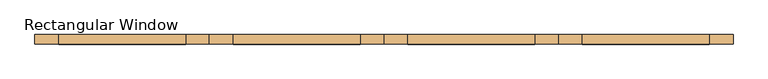
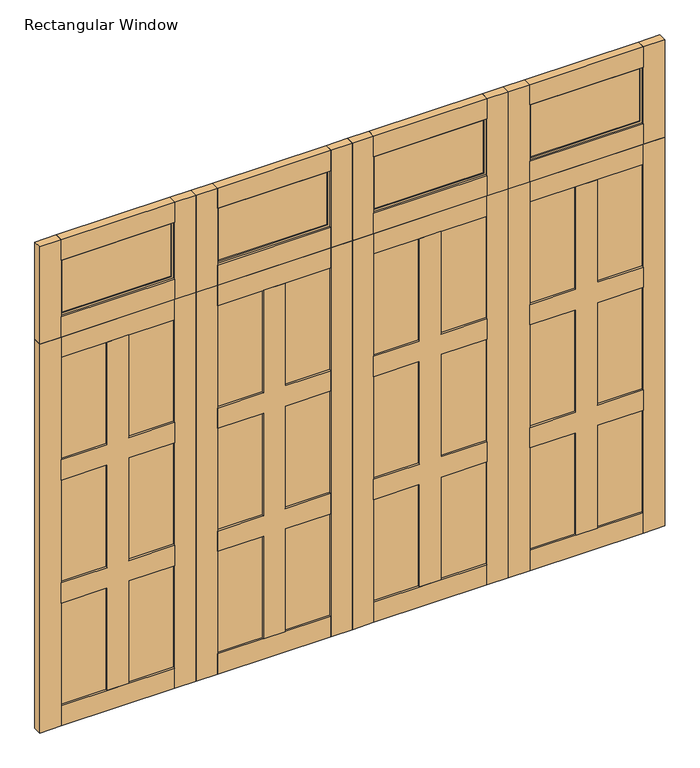
"""IFC4 building model written with IfcOpenShell, lengths in millimetres: door geometry, Rectangular Window."""

import ifcopenshell
import ifcopenshell.guid

model = None  # the IFC model being written
_history = None  # IfcOwnerHistory: only IFC2X3 demands one
_inside = {}  # id of a spatial element -> (the spatial element, [elements in it])
_under = {}  # id of a project, library or spatial element -> (it, [spatial elements below it])
_declared = {}  # id of a project -> (the project, [libraries it declares])
_typed = {}  # id of a type object -> (the type object, [elements of that type])
_made_of = {}  # id of a material, layer set ... -> (it, [elements and type objects made of it])


def new_model(schema):
    """Start an empty IFC model of exactly this schema.

    Asked for "IFC4X3", IfcOpenShell would pick the latest addendum, in which some entities
    have other attributes; the version numbers below select the first issue.
    IFC2X3 requires an IfcOwnerHistory on every rooted entity: one is made here for all.
    """
    global model, _history
    if schema == "IFC4X3":
        model = ifcopenshell.file(schema_version=(4, 3, 0, 0))
    else:
        model = ifcopenshell.file(schema=schema)
    _inside.clear()
    _under.clear()
    _declared.clear()
    _typed.clear()
    _made_of.clear()
    _history = None
    if model.schema == "IFC2X3":
        org = make("IfcOrganization", Name="unknown")
        user = make(
            "IfcPersonAndOrganization",
            ThePerson=make("IfcPerson", FamilyName="unknown"),
            TheOrganization=org,
        )
        app = make(
            "IfcApplication",
            ApplicationDeveloper=org,
            Version="unknown",
            ApplicationFullName="unknown",
            ApplicationIdentifier="unknown",
        )
        _history = make(
            "IfcOwnerHistory",
            OwningUser=user,
            OwningApplication=app,
            ChangeAction="ADDED",
            CreationDate=0,
        )
    return model


def make(cls, **values):
    """One entity of the class cls with the attributes given. An attribute that is None is left unset."""
    return model.create_entity(
        cls, **{name: value for name, value in values.items() if value is not None}
    )


def rooted(cls, **values):
    """An entity with a GlobalId (a new one), such as an element, a storey or a relation."""
    return make(cls, GlobalId=ifcopenshell.guid.new(), OwnerHistory=_history, **values)


def si_unit(unit_type, name, prefix=None):
    """IfcSIUnit, for example si_unit("LENGTHUNIT", "METRE", prefix="MILLI")."""
    return make("IfcSIUnit", UnitType=unit_type, Prefix=prefix, Name=name)


def assignment(units):
    """IfcUnitAssignment: the units of a project."""
    return None if units is None else make("IfcUnitAssignment", Units=units)


def point(xyz):
    """IfcCartesianPoint."""
    return None if xyz is None else make("IfcCartesianPoint", Coordinates=xyz)


def direction(xyz):
    """IfcDirection."""
    return None if xyz is None else make("IfcDirection", DirectionRatios=xyz)


def frame(location, z_axis=None, x_axis=None):
    """IfcAxis2Placement3D, a coordinate frame: its origin and axes. An axis left out is left unset."""
    return make(
        "IfcAxis2Placement3D",
        Location=point(location),
        Axis=direction(z_axis),
        RefDirection=direction(x_axis),
    )


def origin():
    """The frame at (0, 0, 0) with its axes left unset."""
    return frame((0.0, 0.0, 0.0))


def origin_with_axes():
    """The frame at (0, 0, 0) with the z axis (0, 0, 1) and the x axis (1, 0, 0) written out."""
    return frame((0.0, 0.0, 0.0), z_axis=(0.0, 0.0, 1.0), x_axis=(1.0, 0.0, 0.0))


def place(relative_to, where):
    """IfcLocalPlacement: puts the frame where relative to a parent placement (None: the world)."""
    return make(
        "IfcLocalPlacement", PlacementRelTo=relative_to, RelativePlacement=where
    )


def context(
    kind, dimensions, precision=None, world=None, true_north=None, identifier=None
):
    """IfcGeometricRepresentationContext, for example the 3D "Model" context."""
    return make(
        "IfcGeometricRepresentationContext",
        ContextIdentifier=identifier,
        ContextType=kind,
        CoordinateSpaceDimension=dimensions,
        Precision=precision,
        WorldCoordinateSystem=world,
        TrueNorth=true_north,
    )


def project(units=None, contexts=None):
    """IfcProject with its units and contexts."""
    return rooted(
        "IfcProject",
        Name="project",
        RepresentationContexts=contexts,
        UnitsInContext=assignment(units),
    )


def spatial(cls, under=None, at=None, **own):
    """A site, building, storey or space (cls), placed at a placement, below another one or the project."""
    s = rooted(cls, ObjectPlacement=at, **own)
    if under is not None:
        _under.setdefault(under.id(), (under, []))[1].append(s)
    return s


def polyline(points):
    """IfcPolyline through the points."""
    return make("IfcPolyline", Points=[point(p) for p in points])


def outline(outer, holes=None, kind="AREA"):
    """IfcArbitraryClosedProfileDef: a profile drawn as a closed curve; with holes, ...WithVoids."""
    if holes is None:
        return make("IfcArbitraryClosedProfileDef", ProfileType=kind, OuterCurve=outer)
    return make(
        "IfcArbitraryProfileDefWithVoids",
        ProfileType=kind,
        OuterCurve=outer,
        InnerCurves=holes,
    )


def extrude(swept, where, along, depth):
    """IfcExtrudedAreaSolid: the profile swept, set in the frame where, extruded along a direction by depth."""
    return make(
        "IfcExtrudedAreaSolid",
        SweptArea=swept,
        Position=where,
        ExtrudedDirection=direction(along),
        Depth=depth,
    )


def shape(context_of_items, identifier, shape_type, items):
    """IfcShapeRepresentation: the items that make up one representation, for example the "Body"."""
    return make(
        "IfcShapeRepresentation",
        ContextOfItems=context_of_items,
        RepresentationIdentifier=identifier,
        RepresentationType=shape_type,
        Items=items,
    )


def source(mapping_origin, context_of_items, identifier, shape_type, items):
    """IfcRepresentationMap: a shape defined once, which mapped items show again and again."""
    return make(
        "IfcRepresentationMap",
        MappingOrigin=mapping_origin,
        MappedRepresentation=shape(context_of_items, identifier, shape_type, items),
    )


def transform(
    local_origin,
    x_axis=None,
    y_axis=None,
    z_axis=None,
    scale=None,
    scale2=None,
    scale3=None,
    uniform=True,
):
    """IfcCartesianTransformationOperator3D, or its non-uniform kind. x_axis, y_axis, z_axis: its Axis1, 2, 3."""
    if uniform:
        return make(
            "IfcCartesianTransformationOperator3D",
            Axis1=direction(x_axis),
            Axis2=direction(y_axis),
            LocalOrigin=point(local_origin),
            Scale=scale,
            Axis3=direction(z_axis),
        )
    return make(
        "IfcCartesianTransformationOperator3DnonUniform",
        Axis1=direction(x_axis),
        Axis2=direction(y_axis),
        LocalOrigin=point(local_origin),
        Scale=scale,
        Axis3=direction(z_axis),
        Scale2=scale2,
        Scale3=scale3,
    )


def mapped(mapping_source, mapping_target):
    """IfcMappedItem: shows the shape of a source again, moved by a transform."""
    return make(
        "IfcMappedItem", MappingSource=mapping_source, MappingTarget=mapping_target
    )


def made_of(thing, what):
    """Note that an element or type object is made of a material, layer set ...; save() writes the relation."""
    if what is not None:
        _made_of.setdefault(what.id(), (what, []))[1].append(thing)
    return thing


def element(
    cls,
    number,
    at=None,
    inside=None,
    cuts=None,
    type_object=None,
    material=None,
    context=None,
    identifier="Body",
    shape_type=None,
    held_by="IfcProductDefinitionShape",
    body=None,
    shapes=None,
    **own,
):
    """One element of the class cls, such as IfcWall. Its Tag is "e" and its number.

    at: its placement. inside: the storey or other place that contains it. cuts: it is an
    opening in that element (IfcRelVoidsElement). A single representation is given by context,
    identifier, shape_type and body (its items); several are given by shapes. held_by: the class
    of the entity that holds the representations. save() writes the other relations.
    """
    e = rooted(cls, Tag="e%d" % number, ObjectPlacement=at, **own)
    if body is not None:
        shapes = [shape(context, identifier, shape_type, body)]
    if shapes is not None:
        e.Representation = make(held_by, Representations=shapes)
    if inside is not None:
        _inside.setdefault(inside.id(), (inside, []))[1].append(e)
    if cuts is not None:
        rooted(
            "IfcRelVoidsElement", RelatingBuildingElement=cuts, RelatedOpeningElement=e
        )
    if type_object is not None:
        _typed.setdefault(type_object.id(), (type_object, []))[1].append(e)
    return made_of(e, material)


def aggregate(whole, parts):
    """IfcRelAggregates: a whole, such as a stair, and the parts it consists of."""
    return rooted("IfcRelAggregates", RelatingObject=whole, RelatedObjects=parts)


def save(model, path):
    """Write the relations noted so far, then the file.

    IfcRelAggregates (storeys below a building ...), IfcRelContainedInSpatialStructure (elements
    in a storey), IfcRelDefinesByType, IfcRelAssociatesMaterial and IfcRelDeclares: one each for
    every whole, place, type object, material and project.
    """
    for whole, parts in _under.values():
        aggregate(whole, parts)
    for where, things in _inside.values():
        rooted(
            "IfcRelContainedInSpatialStructure",
            RelatedElements=things,
            RelatingStructure=where,
        )
    for kind, things in _typed.values():
        rooted("IfcRelDefinesByType", RelatedObjects=things, RelatingType=kind)
    for what, things in _made_of.values():
        rooted("IfcRelAssociatesMaterial", RelatedObjects=things, RelatingMaterial=what)
    for by, libraries in _declared.values():
        rooted("IfcRelDeclares", RelatingContext=by, RelatedDefinitions=libraries)
    model.write(path)


def rectangular_window_62d535f8(model_context):
    return source(origin(), model_context, "Body", "SweptSolid", [
        extrude(outline(polyline([(139.7, 6.35), (787.4, 6.35), (787.4, -6.35), (139.7, -6.35), (139.7, 6.35)])), frame((0.0, 0.0, 2578.1), z_axis=(0.0, 0.0, 1.0), x_axis=(1.0, 0.0, 0.0)), (0.0, 0.0, 1.0), 330.2),
        extrude(outline(polyline([(1066.8, 6.35), (1714.5, 6.35), (1714.5, -6.35), (1066.8, -6.35), (1066.8, 6.35)])), frame((0.0, 0.0, 2578.1), z_axis=(0.0, 0.0, 1.0), x_axis=(1.0, 0.0, 0.0)), (0.0, 0.0, 1.0), 330.2),
        extrude(outline(polyline([(2921.0, 1727.2), (2921.0, 1054.1), (2565.4, 1054.1), (2565.4, 1727.2), (2921.0, 1727.2)]), holes=[polyline([(2578.1, 1714.5), (2578.1, 1066.8), (2908.3, 1066.8), (2908.3, 1714.5), (2578.1, 1714.5)])]), frame((0.0, -12.7, 0.0), z_axis=(0.0, 1.0, 0.0), x_axis=(0.0, 0.0, 1.0)), (0.0, 0.0, 1.0), 25.4),
        extrude(outline(polyline([(2921.0, 800.1), (2921.0, 127.0), (2565.4, 127.0), (2565.4, 800.1), (2921.0, 800.1)]), holes=[polyline([(2578.1, 139.7), (2908.3, 139.7), (2908.3, 787.4), (2578.1, 787.4), (2578.1, 139.7)])]), frame((0.0, -12.7, 0.0), z_axis=(0.0, 1.0, 0.0), x_axis=(0.0, 0.0, 1.0)), (0.0, 0.0, 1.0), 25.4),
        extrude(outline(polyline([(1727.2, -25.4), (1054.1, -25.4), (1054.1, 25.4), (1727.2, 25.4), (1727.2, -25.4)])), frame((0.0, 0.0, 2921.0), z_axis=(0.0, 0.0, 1.0), x_axis=(1.0, 0.0, 0.0)), (0.0, 0.0, 1.0), 127.0),
        extrude(outline(polyline([(1727.2, -25.4), (1054.1, -25.4), (1054.1, 25.4), (1727.2, 25.4), (1727.2, -25.4)])), frame((0.0, 0.0, 2438.4), z_axis=(0.0, 0.0, 1.0), x_axis=(1.0, 0.0, 0.0)), (0.0, 0.0, 1.0), 127.0),
        extrude(outline(polyline([(800.1, -25.4), (127.0, -25.4), (127.0, 25.4), (800.1, 25.4), (800.1, -25.4)])), frame((0.0, 0.0, 2921.0), z_axis=(0.0, 0.0, 1.0), x_axis=(1.0, 0.0, 0.0)), (0.0, 0.0, 1.0), 127.0),
        extrude(outline(polyline([(800.1, -25.4), (127.0, -25.4), (127.0, 25.4), (800.1, 25.4), (800.1, -25.4)])), frame((0.0, 0.0, 2438.4), z_axis=(0.0, 0.0, 1.0), x_axis=(1.0, 0.0, 0.0)), (0.0, 0.0, 1.0), 127.0),
        extrude(outline(polyline([(1054.1, -25.4), (927.1, -25.4), (927.1, 25.4), (1054.1, 25.4), (1054.1, -25.4)])), frame((0.0, 0.0, 2438.4), z_axis=(0.0, 0.0, 1.0), x_axis=(1.0, 0.0, 0.0)), (0.0, 0.0, 1.0), 609.6),
        extrude(outline(polyline([(1854.2, -25.4), (1727.2, -25.4), (1727.2, 25.4), (1854.2, 25.4), (1854.2, -25.4)])), frame((0.0, 0.0, 2438.4), z_axis=(0.0, 0.0, 1.0), x_axis=(1.0, 0.0, 0.0)), (0.0, 0.0, 1.0), 609.6),
        extrude(outline(polyline([(127.0, -25.4), (0.0, -25.4), (0.0, 25.4), (127.0, 25.4), (127.0, -25.4)])), frame((0.0, 0.0, 2438.4), z_axis=(0.0, 0.0, 1.0), x_axis=(1.0, 0.0, 0.0)), (0.0, 0.0, 1.0), 609.6),
        extrude(outline(polyline([(927.1, -25.4), (800.1, -25.4), (800.1, 25.4), (927.1, 25.4), (927.1, -25.4)])), frame((0.0, 0.0, 2438.4), z_axis=(0.0, 0.0, 1.0), x_axis=(1.0, 0.0, 0.0)), (0.0, 0.0, 1.0), 609.6),
        extrude(outline(polyline([(-1714.5, 6.35), (-1066.8, 6.35), (-1066.8, -6.35), (-1714.5, -6.35), (-1714.5, 6.35)])), frame((0.0, 0.0, 2578.1), z_axis=(0.0, 0.0, 1.0), x_axis=(1.0, 0.0, 0.0)), (0.0, 0.0, 1.0), 330.2),
        extrude(outline(polyline([(-787.4, 6.35), (-139.7, 6.35), (-139.7, -6.35), (-787.4, -6.35), (-787.4, 6.35)])), frame((0.0, 0.0, 2578.1), z_axis=(0.0, 0.0, 1.0), x_axis=(1.0, 0.0, 0.0)), (0.0, 0.0, 1.0), 330.2),
        extrude(outline(polyline([(2921.0, -127.0), (2921.0, -800.1), (2565.4, -800.1), (2565.4, -127.0), (2921.0, -127.0)]), holes=[polyline([(2578.1, -139.7), (2578.1, -787.4), (2908.3, -787.4), (2908.3, -139.7), (2578.1, -139.7)])]), frame((0.0, -12.7, 0.0), z_axis=(0.0, 1.0, 0.0), x_axis=(0.0, 0.0, 1.0)), (0.0, 0.0, 1.0), 25.4),
        extrude(outline(polyline([(2921.0, -1054.1), (2921.0, -1727.2), (2565.4, -1727.2), (2565.4, -1054.1), (2921.0, -1054.1)]), holes=[polyline([(2578.1, -1714.5), (2908.3, -1714.5), (2908.3, -1066.8), (2578.1, -1066.8), (2578.1, -1714.5)])]), frame((0.0, -12.7, 0.0), z_axis=(0.0, 1.0, 0.0), x_axis=(0.0, 0.0, 1.0)), (0.0, 0.0, 1.0), 25.4),
        extrude(outline(polyline([(-127.0, -25.4), (-800.1, -25.4), (-800.1, 25.4), (-127.0, 25.4), (-127.0, -25.4)])), frame((0.0, 0.0, 2921.0), z_axis=(0.0, 0.0, 1.0), x_axis=(1.0, 0.0, 0.0)), (0.0, 0.0, 1.0), 127.0),
        extrude(outline(polyline([(-127.0, -25.4), (-800.1, -25.4), (-800.1, 25.4), (-127.0, 25.4), (-127.0, -25.4)])), frame((0.0, 0.0, 2438.4), z_axis=(0.0, 0.0, 1.0), x_axis=(1.0, 0.0, 0.0)), (0.0, 0.0, 1.0), 127.0),
        extrude(outline(polyline([(-1054.1, -25.4), (-1727.2, -25.4), (-1727.2, 25.4), (-1054.1, 25.4), (-1054.1, -25.4)])), frame((0.0, 0.0, 2921.0), z_axis=(0.0, 0.0, 1.0), x_axis=(1.0, 0.0, 0.0)), (0.0, 0.0, 1.0), 127.0),
        extrude(outline(polyline([(-1054.1, -25.4), (-1727.2, -25.4), (-1727.2, 25.4), (-1054.1, 25.4), (-1054.1, -25.4)])), frame((0.0, 0.0, 2438.4), z_axis=(0.0, 0.0, 1.0), x_axis=(1.0, 0.0, 0.0)), (0.0, 0.0, 1.0), 127.0),
        extrude(outline(polyline([(-800.1, -25.4), (-927.1, -25.4), (-927.1, 25.4), (-800.1, 25.4), (-800.1, -25.4)])), frame((0.0, 0.0, 2438.4), z_axis=(0.0, 0.0, 1.0), x_axis=(1.0, 0.0, 0.0)), (0.0, 0.0, 1.0), 609.6),
        extrude(outline(polyline([(0.0, -25.4), (-127.0, -25.4), (-127.0, 25.4), (0.0, 25.4), (0.0, -25.4)])), frame((0.0, 0.0, 2438.4), z_axis=(0.0, 0.0, 1.0), x_axis=(1.0, 0.0, 0.0)), (0.0, 0.0, 1.0), 609.6),
        extrude(outline(polyline([(-1727.2, -25.4), (-1854.2, -25.4), (-1854.2, 25.4), (-1727.2, 25.4), (-1727.2, -25.4)])), frame((0.0, 0.0, 2438.4), z_axis=(0.0, 0.0, 1.0), x_axis=(1.0, 0.0, 0.0)), (0.0, 0.0, 1.0), 609.6),
        extrude(outline(polyline([(-927.1, -25.4), (-1054.1, -25.4), (-1054.1, 25.4), (-927.1, 25.4), (-927.1, -25.4)])), frame((0.0, 0.0, 2438.4), z_axis=(0.0, 0.0, 1.0), x_axis=(1.0, 0.0, 0.0)), (0.0, 0.0, 1.0), 609.6),
        extrude(outline(polyline([(1667.9333333, 1727.2), (1667.9333333, 1454.15), (2311.4, 1454.15), (2311.4, 1327.15), (1667.9333333, 1327.15), (1667.9333333, 1054.1), (1540.9333333, 1054.1), (1540.9333333, 1327.15), (897.4666667, 1327.15), (897.4666667, 1054.1), (770.4666667, 1054.1), (770.4666667, 1327.15), (127.0, 1327.15), (127.0, 1454.15), (770.4666667, 1454.15), (770.4666667, 1727.2), (897.4666667, 1727.2), (897.4666667, 1454.15), (1540.9333333, 1454.15), (1540.9333333, 1727.2), (1667.9333333, 1727.2)])), frame((0.0, -25.4, 0.0), z_axis=(0.0, 1.0, 0.0), x_axis=(0.0, 0.0, 1.0)), (0.0, 0.0, 1.0), 50.8),
        extrude(outline(polyline([(1054.1, 12.7), (1727.2, 12.7), (1727.2, -12.7), (1054.1, -12.7), (1054.1, 12.7)])), frame((0.0, 0.0, 127.0), z_axis=(0.0, 0.0, 1.0), x_axis=(1.0, 0.0, 0.0)), (0.0, 0.0, 1.0), 2184.4),
        extrude(outline(polyline([(1727.2, -25.4), (1727.2, 25.4), (1854.2, 25.4), (1854.2, -25.4), (1727.2, -25.4)])), origin_with_axes(), (0.0, 0.0, 1.0), 2438.4),
        extrude(outline(polyline([(927.1, -25.4), (927.1, 25.4), (1054.1, 25.4), (1054.1, -25.4), (927.1, -25.4)])), origin_with_axes(), (0.0, 0.0, 1.0), 2438.4),
        extrude(outline(polyline([(1054.1, -25.4), (1054.1, 25.4), (1727.2, 25.4), (1727.2, -25.4), (1054.1, -25.4)])), frame((0.0, 0.0, 2311.4), z_axis=(0.0, 0.0, 1.0), x_axis=(1.0, 0.0, 0.0)), (0.0, 0.0, 1.0), 127.0),
        extrude(outline(polyline([(1054.1, -25.4), (1054.1, 25.4), (1727.2, 25.4), (1727.2, -25.4), (1054.1, -25.4)])), origin_with_axes(), (0.0, 0.0, 1.0), 127.0),
        extrude(outline(polyline([(1667.9333333, 127.0), (1540.9333333, 127.0), (1540.9333333, 400.05), (897.4666667, 400.05), (897.4666667, 127.0), (770.4666667, 127.0), (770.4666667, 400.05), (127.0, 400.05), (127.0, 527.05), (770.4666667, 527.05), (770.4666667, 800.1), (897.4666667, 800.1), (897.4666667, 527.05), (1540.9333333, 527.05), (1540.9333333, 800.1), (1667.9333333, 800.1), (1667.9333333, 527.05), (2311.4, 527.05), (2311.4, 400.05), (1667.9333333, 400.05), (1667.9333333, 127.0)])), frame((0.0, -25.4, 0.0), z_axis=(0.0, 1.0, 0.0), x_axis=(0.0, 0.0, 1.0)), (0.0, 0.0, 1.0), 50.8),
        extrude(outline(polyline([(800.1, 12.7), (800.1, -12.7), (127.0, -12.7), (127.0, 12.7), (800.1, 12.7)])), frame((0.0, 0.0, 127.0), z_axis=(0.0, 0.0, 1.0), x_axis=(1.0, 0.0, 0.0)), (0.0, 0.0, 1.0), 2184.4),
        extrude(outline(polyline([(127.0, -25.4), (0.0, -25.4), (0.0, 25.4), (127.0, 25.4), (127.0, -25.4)])), origin_with_axes(), (0.0, 0.0, 1.0), 2438.4),
        extrude(outline(polyline([(927.1, -25.4), (800.1, -25.4), (800.1, 25.4), (927.1, 25.4), (927.1, -25.4)])), origin_with_axes(), (0.0, 0.0, 1.0), 2438.4),
        extrude(outline(polyline([(800.1, -25.4), (127.0, -25.4), (127.0, 25.4), (800.1, 25.4), (800.1, -25.4)])), frame((0.0, 0.0, 2311.4), z_axis=(0.0, 0.0, 1.0), x_axis=(1.0, 0.0, 0.0)), (0.0, 0.0, 1.0), 127.0),
        extrude(outline(polyline([(800.1, -25.4), (127.0, -25.4), (127.0, 25.4), (800.1, 25.4), (800.1, -25.4)])), origin_with_axes(), (0.0, 0.0, 1.0), 127.0),
        extrude(outline(polyline([(1667.9333333, -127.0), (1667.9333333, -400.05), (2311.4, -400.05), (2311.4, -527.05), (1667.9333333, -527.05), (1667.9333333, -800.1), (1540.9333333, -800.1), (1540.9333333, -527.05), (897.4666667, -527.05), (897.4666667, -800.1), (770.4666667, -800.1), (770.4666667, -527.05), (127.0, -527.05), (127.0, -400.05), (770.4666667, -400.05), (770.4666667, -127.0), (897.4666667, -127.0), (897.4666667, -400.05), (1540.9333333, -400.05), (1540.9333333, -127.0), (1667.9333333, -127.0)])), frame((0.0, -25.4, 0.0), z_axis=(0.0, 1.0, 0.0), x_axis=(0.0, 0.0, 1.0)), (0.0, 0.0, 1.0), 50.8),
        extrude(outline(polyline([(-800.1, 12.7), (-127.0, 12.7), (-127.0, -12.7), (-800.1, -12.7), (-800.1, 12.7)])), frame((0.0, 0.0, 127.0), z_axis=(0.0, 0.0, 1.0), x_axis=(1.0, 0.0, 0.0)), (0.0, 0.0, 1.0), 2184.4),
        extrude(outline(polyline([(-127.0, -25.4), (-127.0, 25.4), (0.0, 25.4), (0.0, -25.4), (-127.0, -25.4)])), origin_with_axes(), (0.0, 0.0, 1.0), 2438.4),
        extrude(outline(polyline([(-927.1, -25.4), (-927.1, 25.4), (-800.1, 25.4), (-800.1, -25.4), (-927.1, -25.4)])), origin_with_axes(), (0.0, 0.0, 1.0), 2438.4),
        extrude(outline(polyline([(-800.1, -25.4), (-800.1, 25.4), (-127.0, 25.4), (-127.0, -25.4), (-800.1, -25.4)])), frame((0.0, 0.0, 2311.4), z_axis=(0.0, 0.0, 1.0), x_axis=(1.0, 0.0, 0.0)), (0.0, 0.0, 1.0), 127.0),
        extrude(outline(polyline([(-800.1, -25.4), (-800.1, 25.4), (-127.0, 25.4), (-127.0, -25.4), (-800.1, -25.4)])), origin_with_axes(), (0.0, 0.0, 1.0), 127.0),
        extrude(outline(polyline([(1667.9333333, -1727.2), (1540.9333333, -1727.2), (1540.9333333, -1454.15), (897.4666667, -1454.15), (897.4666667, -1727.2), (770.4666667, -1727.2), (770.4666667, -1454.15), (127.0, -1454.15), (127.0, -1327.15), (770.4666667, -1327.15), (770.4666667, -1054.1), (897.4666667, -1054.1), (897.4666667, -1327.15), (1540.9333333, -1327.15), (1540.9333333, -1054.1), (1667.9333333, -1054.1), (1667.9333333, -1327.15), (2311.4, -1327.15), (2311.4, -1454.15), (1667.9333333, -1454.15), (1667.9333333, -1727.2)])), frame((0.0, -25.4, 0.0), z_axis=(0.0, 1.0, 0.0), x_axis=(0.0, 0.0, 1.0)), (0.0, 0.0, 1.0), 50.8),
        extrude(outline(polyline([(-1054.1, 12.7), (-1054.1, -12.7), (-1727.2, -12.7), (-1727.2, 12.7), (-1054.1, 12.7)])), frame((0.0, 0.0, 127.0), z_axis=(0.0, 0.0, 1.0), x_axis=(1.0, 0.0, 0.0)), (0.0, 0.0, 1.0), 2184.4),
        extrude(outline(polyline([(-1727.2, -25.4), (-1854.2, -25.4), (-1854.2, 25.4), (-1727.2, 25.4), (-1727.2, -25.4)])), origin_with_axes(), (0.0, 0.0, 1.0), 2438.4),
        extrude(outline(polyline([(-927.1, -25.4), (-1054.1, -25.4), (-1054.1, 25.4), (-927.1, 25.4), (-927.1, -25.4)])), origin_with_axes(), (0.0, 0.0, 1.0), 2438.4),
        extrude(outline(polyline([(-1054.1, -25.4), (-1727.2, -25.4), (-1727.2, 25.4), (-1054.1, 25.4), (-1054.1, -25.4)])), frame((0.0, 0.0, 2311.4), z_axis=(0.0, 0.0, 1.0), x_axis=(1.0, 0.0, 0.0)), (0.0, 0.0, 1.0), 127.0),
        extrude(outline(polyline([(-1054.1, -25.4), (-1727.2, -25.4), (-1727.2, 25.4), (-1054.1, 25.4), (-1054.1, -25.4)])), origin_with_axes(), (0.0, 0.0, 1.0), 127.0),
    ])


if __name__ == "__main__":
    model = new_model("IFC4")
    model_context = context("Model", 3, world=origin())
    ifc_project = project(units=[si_unit("LENGTHUNIT", "METRE", prefix="MILLI")], contexts=[model_context])
    site = spatial("IfcSite", under=ifc_project)
    building = spatial("IfcBuilding", under=site)
    placement = place(None, origin())
    rectangular_window_shape = rectangular_window_62d535f8(model_context)
    element("IfcDoor", 1, ObjectType="Rectangular Window", at=placement, inside=building, context=model_context, shape_type="MappedRepresentation", body=[
        mapped(rectangular_window_shape, transform((0.0, 0.0, 0.0), x_axis=(1.0, 0.0, 0.0), y_axis=(0.0, 1.0, 0.0), z_axis=(0.0, 0.0, 1.0))),
    ])
    save(model, "model.ifc")
